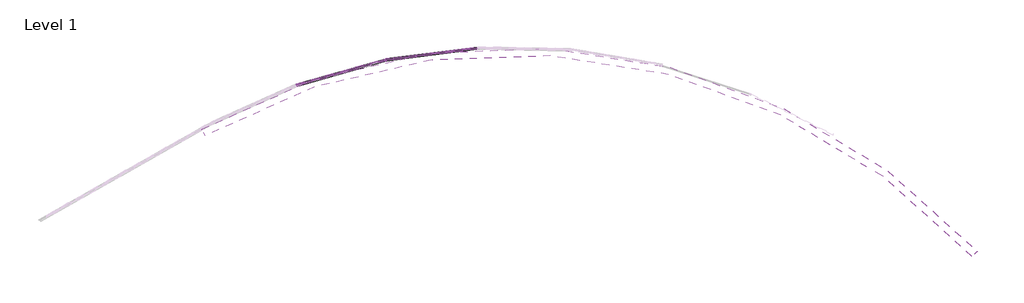
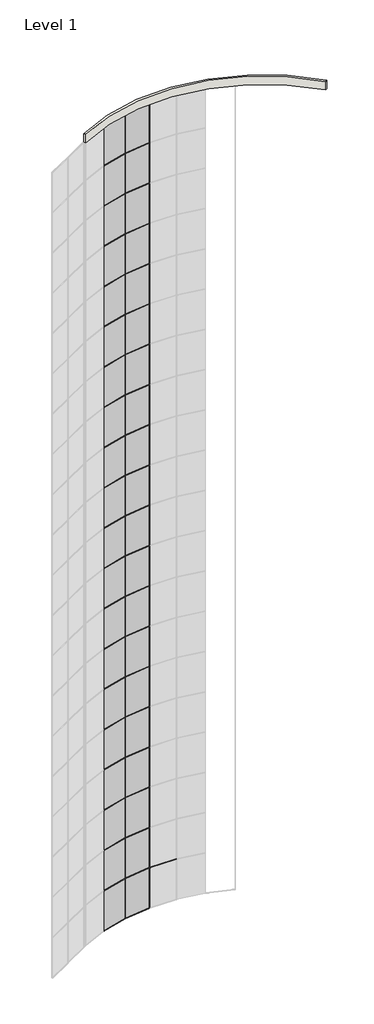
# One storey, part 19 of 25: 77 members, 40 plates, 1 wall.
"""IFC4 building model written with IfcOpenShell, lengths in millimetres."""

import ifcopenshell
import ifcopenshell.guid

model = None  # the IFC model being written
_history = None  # IfcOwnerHistory: only IFC2X3 demands one
_inside = {}  # id of a spatial element -> (the spatial element, [elements in it])
_under = {}  # id of a project, library or spatial element -> (it, [spatial elements below it])
_declared = {}  # id of a project -> (the project, [libraries it declares])
_typed = {}  # id of a type object -> (the type object, [elements of that type])
_made_of = {}  # id of a material, layer set ... -> (it, [elements and type objects made of it])


def new_model(schema):
    """Start an empty IFC model of exactly this schema.

    Asked for "IFC4X3", IfcOpenShell would pick the latest addendum, in which some entities
    have other attributes; the version numbers below select the first issue.
    IFC2X3 requires an IfcOwnerHistory on every rooted entity: one is made here for all.
    """
    global model, _history
    if schema == "IFC4X3":
        model = ifcopenshell.file(schema_version=(4, 3, 0, 0))
    else:
        model = ifcopenshell.file(schema=schema)
    _inside.clear()
    _under.clear()
    _declared.clear()
    _typed.clear()
    _made_of.clear()
    _history = None
    if model.schema == "IFC2X3":
        org = make("IfcOrganization", Name="unknown")
        user = make(
            "IfcPersonAndOrganization",
            ThePerson=make("IfcPerson", FamilyName="unknown"),
            TheOrganization=org,
        )
        app = make(
            "IfcApplication",
            ApplicationDeveloper=org,
            Version="unknown",
            ApplicationFullName="unknown",
            ApplicationIdentifier="unknown",
        )
        _history = make(
            "IfcOwnerHistory",
            OwningUser=user,
            OwningApplication=app,
            ChangeAction="ADDED",
            CreationDate=0,
        )
    return model


def make(cls, **values):
    """One entity of the class cls with the attributes given. An attribute that is None is left unset."""
    return model.create_entity(
        cls, **{name: value for name, value in values.items() if value is not None}
    )


def rooted(cls, **values):
    """An entity with a GlobalId (a new one), such as an element, a storey or a relation."""
    return make(cls, GlobalId=ifcopenshell.guid.new(), OwnerHistory=_history, **values)


def si_unit(unit_type, name, prefix=None):
    """IfcSIUnit, for example si_unit("LENGTHUNIT", "METRE", prefix="MILLI")."""
    return make("IfcSIUnit", UnitType=unit_type, Prefix=prefix, Name=name)


def assignment(units):
    """IfcUnitAssignment: the units of a project."""
    return None if units is None else make("IfcUnitAssignment", Units=units)


def point(xyz):
    """IfcCartesianPoint."""
    return None if xyz is None else make("IfcCartesianPoint", Coordinates=xyz)


def direction(xyz):
    """IfcDirection."""
    return None if xyz is None else make("IfcDirection", DirectionRatios=xyz)


def frame(location, z_axis=None, x_axis=None):
    """IfcAxis2Placement3D, a coordinate frame: its origin and axes. An axis left out is left unset."""
    return make(
        "IfcAxis2Placement3D",
        Location=point(location),
        Axis=direction(z_axis),
        RefDirection=direction(x_axis),
    )


def frame_2d(location, x_axis=None):
    """IfcAxis2Placement2D, a coordinate frame in the plane: its origin and x axis."""
    return make(
        "IfcAxis2Placement2D", Location=point(location), RefDirection=direction(x_axis)
    )


def origin():
    """The frame at (0, 0, 0) with its axes left unset."""
    return frame((0.0, 0.0, 0.0))


def origin_with_axes():
    """The frame at (0, 0, 0) with the z axis (0, 0, 1) and the x axis (1, 0, 0) written out."""
    return frame((0.0, 0.0, 0.0), z_axis=(0.0, 0.0, 1.0), x_axis=(1.0, 0.0, 0.0))


def place(relative_to, where):
    """IfcLocalPlacement: puts the frame where relative to a parent placement (None: the world)."""
    return make(
        "IfcLocalPlacement", PlacementRelTo=relative_to, RelativePlacement=where
    )


def context(
    kind, dimensions, precision=None, world=None, true_north=None, identifier=None
):
    """IfcGeometricRepresentationContext, for example the 3D "Model" context."""
    return make(
        "IfcGeometricRepresentationContext",
        ContextIdentifier=identifier,
        ContextType=kind,
        CoordinateSpaceDimension=dimensions,
        Precision=precision,
        WorldCoordinateSystem=world,
        TrueNorth=true_north,
    )


def project(units=None, contexts=None):
    """IfcProject with its units and contexts."""
    return rooted(
        "IfcProject",
        Name="project",
        RepresentationContexts=contexts,
        UnitsInContext=assignment(units),
    )


def spatial(cls, under=None, at=None, **own):
    """A site, building, storey or space (cls), placed at a placement, below another one or the project."""
    s = rooted(cls, ObjectPlacement=at, **own)
    if under is not None:
        _under.setdefault(under.id(), (under, []))[1].append(s)
    return s


def polyline(points):
    """IfcPolyline through the points."""
    return make("IfcPolyline", Points=[point(p) for p in points])


def circle_curve(where, radius):
    """IfcCircle in the frame where."""
    return make("IfcCircle", Position=where, Radius=radius)


def trimmed(basis, trim1, trim2, sense, master):
    """IfcTrimmedCurve: the piece of a basis curve between two trims."""
    return make(
        "IfcTrimmedCurve",
        BasisCurve=basis,
        Trim1=trim1,
        Trim2=trim2,
        SenseAgreement=sense,
        MasterRepresentation=master,
    )


def segment(curve, same_sense, transition):
    """IfcCompositeCurveSegment."""
    return make(
        "IfcCompositeCurveSegment",
        Transition=transition,
        SameSense=same_sense,
        ParentCurve=curve,
    )


def composite_curve(segments, self_intersect=None):
    """IfcCompositeCurve: segments joined end to end."""
    return make("IfcCompositeCurve", Segments=segments, SelfIntersect=self_intersect)


def outline(outer, holes=None, kind="AREA"):
    """IfcArbitraryClosedProfileDef: a profile drawn as a closed curve; with holes, ...WithVoids."""
    if holes is None:
        return make("IfcArbitraryClosedProfileDef", ProfileType=kind, OuterCurve=outer)
    return make(
        "IfcArbitraryProfileDefWithVoids",
        ProfileType=kind,
        OuterCurve=outer,
        InnerCurves=holes,
    )


def extrude(swept, where, along, depth):
    """IfcExtrudedAreaSolid: the profile swept, set in the frame where, extruded along a direction by depth."""
    return make(
        "IfcExtrudedAreaSolid",
        SweptArea=swept,
        Position=where,
        ExtrudedDirection=direction(along),
        Depth=depth,
    )


def faces_of(points, faces, orient=None, outer=None):
    """IfcFace entities. A face is a list of loops; a loop is a list of indices into points, from 0.

    orient and outer hold one flag for each loop. By default every Orientation is true, the
    first loop of a face is its IfcFaceOuterBound and the others are IfcFaceBound.
    """
    made = []
    for i, loops in enumerate(faces):
        bounds = []
        for j, loop in enumerate(loops):
            is_outer = j == 0 if outer is None else outer[i][j]
            bounds.append(
                make(
                    "IfcFaceOuterBound" if is_outer else "IfcFaceBound",
                    Bound=make("IfcPolyLoop", Polygon=[points[k] for k in loop]),
                    Orientation=True if orient is None else orient[i][j],
                )
            )
        made.append(make("IfcFace", Bounds=bounds))
    return made


def faceted_brep(points, faces, orient=None, outer=None, voids=None):
    """IfcFacetedBrep: a solid bounded by flat faces; with voids (closed shells), ...WithVoids."""
    shared = [point(p) for p in points]
    hull = make("IfcClosedShell", CfsFaces=faces_of(shared, faces, orient, outer))
    if voids is None:
        return make("IfcFacetedBrep", Outer=hull)
    return make(
        "IfcFacetedBrepWithVoids",
        Outer=hull,
        Voids=[
            make(cls, CfsFaces=faces_of(shared, fs, o, b)) for cls, fs, o, b in voids
        ],
    )


def shape(context_of_items, identifier, shape_type, items):
    """IfcShapeRepresentation: the items that make up one representation, for example the "Body"."""
    return make(
        "IfcShapeRepresentation",
        ContextOfItems=context_of_items,
        RepresentationIdentifier=identifier,
        RepresentationType=shape_type,
        Items=items,
    )


def source(mapping_origin, context_of_items, identifier, shape_type, items):
    """IfcRepresentationMap: a shape defined once, which mapped items show again and again."""
    return make(
        "IfcRepresentationMap",
        MappingOrigin=mapping_origin,
        MappedRepresentation=shape(context_of_items, identifier, shape_type, items),
    )


def transform(
    local_origin,
    x_axis=None,
    y_axis=None,
    z_axis=None,
    scale=None,
    scale2=None,
    scale3=None,
    uniform=True,
):
    """IfcCartesianTransformationOperator3D, or its non-uniform kind. x_axis, y_axis, z_axis: its Axis1, 2, 3."""
    if uniform:
        return make(
            "IfcCartesianTransformationOperator3D",
            Axis1=direction(x_axis),
            Axis2=direction(y_axis),
            LocalOrigin=point(local_origin),
            Scale=scale,
            Axis3=direction(z_axis),
        )
    return make(
        "IfcCartesianTransformationOperator3DnonUniform",
        Axis1=direction(x_axis),
        Axis2=direction(y_axis),
        LocalOrigin=point(local_origin),
        Scale=scale,
        Axis3=direction(z_axis),
        Scale2=scale2,
        Scale3=scale3,
    )


def mapped(mapping_source, mapping_target):
    """IfcMappedItem: shows the shape of a source again, moved by a transform."""
    return make(
        "IfcMappedItem", MappingSource=mapping_source, MappingTarget=mapping_target
    )


def made_of(thing, what):
    """Note that an element or type object is made of a material, layer set ...; save() writes the relation."""
    if what is not None:
        _made_of.setdefault(what.id(), (what, []))[1].append(thing)
    return thing


def element(
    cls,
    number,
    at=None,
    inside=None,
    cuts=None,
    type_object=None,
    material=None,
    context=None,
    identifier="Body",
    shape_type=None,
    held_by="IfcProductDefinitionShape",
    body=None,
    shapes=None,
    **own,
):
    """One element of the class cls, such as IfcWall. Its Tag is "e" and its number.

    at: its placement. inside: the storey or other place that contains it. cuts: it is an
    opening in that element (IfcRelVoidsElement). A single representation is given by context,
    identifier, shape_type and body (its items); several are given by shapes. held_by: the class
    of the entity that holds the representations. save() writes the other relations.
    """
    e = rooted(cls, Tag="e%d" % number, ObjectPlacement=at, **own)
    if body is not None:
        shapes = [shape(context, identifier, shape_type, body)]
    if shapes is not None:
        e.Representation = make(held_by, Representations=shapes)
    if inside is not None:
        _inside.setdefault(inside.id(), (inside, []))[1].append(e)
    if cuts is not None:
        rooted(
            "IfcRelVoidsElement", RelatingBuildingElement=cuts, RelatedOpeningElement=e
        )
    if type_object is not None:
        _typed.setdefault(type_object.id(), (type_object, []))[1].append(e)
    return made_of(e, material)


def aggregate(whole, parts):
    """IfcRelAggregates: a whole, such as a stair, and the parts it consists of."""
    return rooted("IfcRelAggregates", RelatingObject=whole, RelatedObjects=parts)


def save(model, path):
    """Write the relations noted so far, then the file.

    IfcRelAggregates (storeys below a building ...), IfcRelContainedInSpatialStructure (elements
    in a storey), IfcRelDefinesByType, IfcRelAssociatesMaterial and IfcRelDeclares: one each for
    every whole, place, type object, material and project.
    """
    for whole, parts in _under.values():
        aggregate(whole, parts)
    for where, things in _inside.values():
        rooted(
            "IfcRelContainedInSpatialStructure",
            RelatedElements=things,
            RelatingStructure=where,
        )
    for kind, things in _typed.values():
        rooted("IfcRelDefinesByType", RelatedObjects=things, RelatingType=kind)
    for what, things in _made_of.values():
        rooted("IfcRelAssociatesMaterial", RelatedObjects=things, RelatingMaterial=what)
    for by, libraries in _declared.values():
        rooted("IfcRelDeclares", RelatingContext=by, RelatedDefinitions=libraries)
    model.write(path)


def rectangular_mullion_30mm_square_a2305603(model_context):
    return source(origin(), model_context, "Body", "SweptSolid", [
        extrude(outline(polyline([(15.0, 15.0), (15.0, -15.0), (-15.0, -15.0), (-15.0, 15.0), (15.0, 15.0)])), frame((0.0, 0.0, -4015.0), z_axis=(0.0, 0.0, 1.0), x_axis=(1.0, 0.0, 0.0)), (0.0, 0.0, 1.0), 4015.0),
    ])


def rectangular_mullion_30mm_square_2a99bbf3(model_context):
    return source(origin(), model_context, "Body", "SweptSolid", [
        extrude(outline(polyline([(15.0, 15.0), (15.0, -15.0), (-15.0, -15.0), (-15.0, 15.0), (15.0, 15.0)])), frame((0.0, 0.0, -4000.0), z_axis=(0.0, 0.0, 1.0), x_axis=(1.0, 0.0, 0.0)), (0.0, 0.0, 1.0), 4000.0),
    ])


def rectangular_mullion_30mm_square_a85e5849(model_context):
    return source(origin(), model_context, "Body", "SweptSolid", [
        extrude(outline(polyline([(15.0, 15.0), (15.0, -15.0), (-15.0, -15.0), (-15.0, 15.0), (15.0, 15.0)])), frame((0.0, 0.0, -3985.0), z_axis=(0.0, 0.0, 1.0), x_axis=(1.0, 0.0, 0.0)), (0.0, 0.0, 1.0), 3985.0),
    ])


def rectangular_mullion_30mm_square_05d4f6f3(model_context):
    return source(origin(), model_context, "Body", "SweptSolid", [
        extrude(outline(polyline([(-15.0, 14.447782), (-13.8564546, -1.0623369), (15.0, 1.0652204), (15.0, -2471.0652204), (-13.8564546, -2468.9376631), (-15.0, -2484.447782), (-15.0, 14.447782)])), frame((-30.0, 0.0, 0.0), z_axis=(1.0, 0.0, 0.0), x_axis=(0.0, 1.0, 0.0)), (0.0, 0.0, 1.0), 30.0),
    ])


def rectangular_mullion_30mm_square_8ac713fb(model_context):
    return source(origin(), model_context, "Body", "Brep", [
        faceted_brep([(-15.0, 15.0, 1.0652204), (0.0, 15.0, 1.0652204), (15.0, 15.0, 1.0652204), (15.0, 15.0, -2471.0652204), (0.0, 15.0, -2471.0652204), (-15.0, 15.0, -2471.0652204), (-15.0, -15.0, 14.447782), (-15.0, -13.8564546, -1.0623369), (-15.0, -13.8564546, -2468.9376631), (-15.0, -15.0, -2484.447782), (15.0, -15.0, 14.447782), (0.0, -15.0, 14.447782), (0.0, -15.0, -2484.447782), (15.0, -15.0, -2484.447782), (15.0, -13.8564546, -1.0623369), (15.0, -13.8564546, -2468.9376631), (0.0, -13.8564546, -1.0623369), (0.0, -13.8564546, -2468.9376631)], [[[0, 1, 2, 3, 4, 5]], [[6, 7, 0, 5, 8, 9]], [[10, 11, 6, 9, 12, 13]], [[2, 14, 10, 13, 15, 3]], [[2, 1, 16, 14]], [[1, 0, 7, 16]], [[7, 6, 11, 16]], [[11, 10, 14, 16]], [[3, 15, 17, 4]], [[15, 13, 12, 17]], [[12, 9, 8, 17]], [[8, 5, 4, 17]]]),
    ])


def system_panel_glazed_a46cada3(model_context):
    return source(origin(), model_context, "Body", "SweptSolid", [
        extrude(outline(polyline([(1250.0, -49.5), (-1250.0, -49.5), (-1250.0, -24.5), (1250.0, -24.5), (1250.0, -49.5)])), origin_with_axes(), (0.0, 0.0, 1.0), 4000.0),
    ])


def system_panel_glazed_f0c60a00(model_context):
    return source(origin(), model_context, "Body", "SweptSolid", [
        extrude(outline(polyline([(1250.0, -49.5), (-1250.0, -49.5), (-1250.0, -24.5), (1250.0, -24.5), (1250.0, -49.5)])), origin_with_axes(), (0.0, 0.0, 1.0), 4015.0),
    ])


def system_panel_glazed_3cdec05c(model_context):
    return source(origin(), model_context, "Body", "SweptSolid", [
        extrude(outline(polyline([(1250.0, -49.5), (-1250.0, -49.5), (-1250.0, -24.5), (1250.0, -24.5), (1250.0, -49.5)])), origin_with_axes(), (0.0, 0.0, 1.0), 3985.0),
    ])


model = new_model("IFC4")

# Units and contexts
model_context = context("Model", 3, world=origin())
ifc_project = project(units=[si_unit("LENGTHUNIT", "METRE", prefix="MILLI")], contexts=[model_context])

# Site, building, storey
site = spatial("IfcSite", under=ifc_project)
building = spatial("IfcBuilding", under=site)
storey = spatial("IfcBuildingStorey", under=building, Name="Level 1", Elevation=0.0)

# Members
placement = place(None, origin())
rectangular_mullion_30mm_square_shape = rectangular_mullion_30mm_square_a2305603(model_context)
element("IfcMember", 1, ObjectType="Rectangular Mullion : 30mm Square", at=placement, inside=storey, context=model_context, shape_type="MappedRepresentation", body=[
    mapped(rectangular_mullion_30mm_square_shape, transform((3291.8144787, 12945.7026692, 0.0), x_axis=(-0.9984776572761416, -0.055157664203154044, 0.0), y_axis=(-0.055157664203154044, 0.9984776572761416, 0.0), z_axis=(0.0, 0.0, -1.0))),
])
element("IfcMember", 2, ObjectType="Rectangular Mullion : 30mm Square", at=placement, inside=storey, context=model_context, shape_type="MappedRepresentation", body=[
    mapped(rectangular_mullion_30mm_square_shape, transform((812.5166872, 12624.6380945, 0.0), x_axis=(-0.9795915058189062, -0.2009987107606614, 0.0), y_axis=(-0.2009987107606614, 0.9795915058189062, 0.0), z_axis=(0.0, 0.0, -1.0))),
])
rectangular_mullion_30mm_square_2_shape = rectangular_mullion_30mm_square_2a99bbf3(model_context)
element("IfcMember", 3, ObjectType="Rectangular Mullion : 30mm Square", at=placement, inside=storey, context=model_context, shape_type="MappedRepresentation", body=[
    mapped(rectangular_mullion_30mm_square_2_shape, transform((3291.8144787, 12945.7026692, 4015.0), x_axis=(-0.9984776572761416, -0.055157664203154044, 0.0), y_axis=(-0.055157664203154044, 0.9984776572761416, 0.0), z_axis=(0.0, 0.0, -1.0))),
])
element("IfcMember", 4, ObjectType="Rectangular Mullion : 30mm Square", at=placement, inside=storey, context=model_context, shape_type="MappedRepresentation", body=[
    mapped(rectangular_mullion_30mm_square_2_shape, transform((812.5166872, 12624.6380945, 4015.0), x_axis=(-0.9795915058189062, -0.2009987107606614, 0.0), y_axis=(-0.2009987107606614, 0.9795915058189062, 0.0), z_axis=(0.0, 0.0, -1.0))),
])
element("IfcMember", 5, ObjectType="Rectangular Mullion : 30mm Square", at=placement, inside=storey, context=model_context, shape_type="MappedRepresentation", body=[
    mapped(rectangular_mullion_30mm_square_2_shape, transform((3291.8144787, 12945.7026692, 8015.0), x_axis=(-0.9984776572761416, -0.055157664203154044, 0.0), y_axis=(-0.055157664203154044, 0.9984776572761416, 0.0), z_axis=(0.0, 0.0, -1.0))),
])
element("IfcMember", 6, ObjectType="Rectangular Mullion : 30mm Square", at=placement, inside=storey, context=model_context, shape_type="MappedRepresentation", body=[
    mapped(rectangular_mullion_30mm_square_2_shape, transform((812.5166872, 12624.6380945, 8015.0), x_axis=(-0.9795915058189062, -0.2009987107606614, 0.0), y_axis=(-0.2009987107606614, 0.9795915058189062, 0.0), z_axis=(0.0, 0.0, -1.0))),
])
element("IfcMember", 7, ObjectType="Rectangular Mullion : 30mm Square", at=placement, inside=storey, context=model_context, shape_type="MappedRepresentation", body=[
    mapped(rectangular_mullion_30mm_square_2_shape, transform((3291.8144787, 12945.7026692, 12015.0), x_axis=(-0.9984776572761416, -0.055157664203154044, 0.0), y_axis=(-0.055157664203154044, 0.9984776572761416, 0.0), z_axis=(0.0, 0.0, -1.0))),
])
element("IfcMember", 8, ObjectType="Rectangular Mullion : 30mm Square", at=placement, inside=storey, context=model_context, shape_type="MappedRepresentation", body=[
    mapped(rectangular_mullion_30mm_square_2_shape, transform((812.5166872, 12624.6380945, 12015.0), x_axis=(-0.9795915058189062, -0.2009987107606614, 0.0), y_axis=(-0.2009987107606614, 0.9795915058189062, 0.0), z_axis=(0.0, 0.0, -1.0))),
])
element("IfcMember", 9, ObjectType="Rectangular Mullion : 30mm Square", at=placement, inside=storey, context=model_context, shape_type="MappedRepresentation", body=[
    mapped(rectangular_mullion_30mm_square_2_shape, transform((3291.8144787, 12945.7026692, 16015.0), x_axis=(-0.9984776572761416, -0.055157664203154044, 0.0), y_axis=(-0.055157664203154044, 0.9984776572761416, 0.0), z_axis=(0.0, 0.0, -1.0))),
])
element("IfcMember", 10, ObjectType="Rectangular Mullion : 30mm Square", at=placement, inside=storey, context=model_context, shape_type="MappedRepresentation", body=[
    mapped(rectangular_mullion_30mm_square_2_shape, transform((812.5166872, 12624.6380945, 16015.0), x_axis=(-0.9795915058189062, -0.2009987107606614, 0.0), y_axis=(-0.2009987107606614, 0.9795915058189062, 0.0), z_axis=(0.0, 0.0, -1.0))),
])
element("IfcMember", 11, ObjectType="Rectangular Mullion : 30mm Square", at=placement, inside=storey, context=model_context, shape_type="MappedRepresentation", body=[
    mapped(rectangular_mullion_30mm_square_2_shape, transform((3291.8144787, 12945.7026692, 20015.0), x_axis=(-0.9984776572761416, -0.055157664203154044, 0.0), y_axis=(-0.055157664203154044, 0.9984776572761416, 0.0), z_axis=(0.0, 0.0, -1.0))),
])
element("IfcMember", 12, ObjectType="Rectangular Mullion : 30mm Square", at=placement, inside=storey, context=model_context, shape_type="MappedRepresentation", body=[
    mapped(rectangular_mullion_30mm_square_2_shape, transform((812.5166872, 12624.6380945, 20015.0), x_axis=(-0.9795915058189062, -0.2009987107606614, 0.0), y_axis=(-0.2009987107606614, 0.9795915058189062, 0.0), z_axis=(0.0, 0.0, -1.0))),
])
element("IfcMember", 13, ObjectType="Rectangular Mullion : 30mm Square", at=placement, inside=storey, context=model_context, shape_type="MappedRepresentation", body=[
    mapped(rectangular_mullion_30mm_square_2_shape, transform((3291.8144787, 12945.7026692, 24015.0), x_axis=(-0.9984776572761416, -0.055157664203154044, 0.0), y_axis=(-0.055157664203154044, 0.9984776572761416, 0.0), z_axis=(0.0, 0.0, -1.0))),
])
element("IfcMember", 14, ObjectType="Rectangular Mullion : 30mm Square", at=placement, inside=storey, context=model_context, shape_type="MappedRepresentation", body=[
    mapped(rectangular_mullion_30mm_square_2_shape, transform((812.5166872, 12624.6380945, 24015.0), x_axis=(-0.9795915058189062, -0.2009987107606614, 0.0), y_axis=(-0.2009987107606614, 0.9795915058189062, 0.0), z_axis=(0.0, 0.0, -1.0))),
])
element("IfcMember", 15, ObjectType="Rectangular Mullion : 30mm Square", at=placement, inside=storey, context=model_context, shape_type="MappedRepresentation", body=[
    mapped(rectangular_mullion_30mm_square_2_shape, transform((3291.8144787, 12945.7026692, 28015.0), x_axis=(-0.9984776572761416, -0.055157664203154044, 0.0), y_axis=(-0.055157664203154044, 0.9984776572761416, 0.0), z_axis=(0.0, 0.0, -1.0))),
])
element("IfcMember", 16, ObjectType="Rectangular Mullion : 30mm Square", at=placement, inside=storey, context=model_context, shape_type="MappedRepresentation", body=[
    mapped(rectangular_mullion_30mm_square_2_shape, transform((812.5166872, 12624.6380945, 28015.0), x_axis=(-0.9795915058189062, -0.2009987107606614, 0.0), y_axis=(-0.2009987107606614, 0.9795915058189062, 0.0), z_axis=(0.0, 0.0, -1.0))),
])
element("IfcMember", 17, ObjectType="Rectangular Mullion : 30mm Square", at=placement, inside=storey, context=model_context, shape_type="MappedRepresentation", body=[
    mapped(rectangular_mullion_30mm_square_2_shape, transform((3291.8144787, 12945.7026692, 32015.0), x_axis=(-0.9984776572761416, -0.055157664203154044, 0.0), y_axis=(-0.055157664203154044, 0.9984776572761416, 0.0), z_axis=(0.0, 0.0, -1.0))),
])
element("IfcMember", 18, ObjectType="Rectangular Mullion : 30mm Square", at=placement, inside=storey, context=model_context, shape_type="MappedRepresentation", body=[
    mapped(rectangular_mullion_30mm_square_2_shape, transform((812.5166872, 12624.6380945, 32015.0), x_axis=(-0.9795915058189062, -0.2009987107606614, 0.0), y_axis=(-0.2009987107606614, 0.9795915058189062, 0.0), z_axis=(0.0, 0.0, -1.0))),
])
element("IfcMember", 19, ObjectType="Rectangular Mullion : 30mm Square", at=placement, inside=storey, context=model_context, shape_type="MappedRepresentation", body=[
    mapped(rectangular_mullion_30mm_square_2_shape, transform((3291.8144787, 12945.7026692, 36015.0), x_axis=(-0.9984776572761416, -0.055157664203154044, 0.0), y_axis=(-0.055157664203154044, 0.9984776572761416, 0.0), z_axis=(0.0, 0.0, -1.0))),
])
element("IfcMember", 20, ObjectType="Rectangular Mullion : 30mm Square", at=placement, inside=storey, context=model_context, shape_type="MappedRepresentation", body=[
    mapped(rectangular_mullion_30mm_square_2_shape, transform((812.5166872, 12624.6380945, 36015.0), x_axis=(-0.9795915058189062, -0.2009987107606614, 0.0), y_axis=(-0.2009987107606614, 0.9795915058189062, 0.0), z_axis=(0.0, 0.0, -1.0))),
])
element("IfcMember", 21, ObjectType="Rectangular Mullion : 30mm Square", at=placement, inside=storey, context=model_context, shape_type="MappedRepresentation", body=[
    mapped(rectangular_mullion_30mm_square_2_shape, transform((3291.8144787, 12945.7026692, 40015.0), x_axis=(-0.9984776572761416, -0.055157664203154044, 0.0), y_axis=(-0.055157664203154044, 0.9984776572761416, 0.0), z_axis=(0.0, 0.0, -1.0))),
])
element("IfcMember", 22, ObjectType="Rectangular Mullion : 30mm Square", at=placement, inside=storey, context=model_context, shape_type="MappedRepresentation", body=[
    mapped(rectangular_mullion_30mm_square_2_shape, transform((812.5166872, 12624.6380945, 40015.0), x_axis=(-0.9795915058189062, -0.2009987107606614, 0.0), y_axis=(-0.2009987107606614, 0.9795915058189062, 0.0), z_axis=(0.0, 0.0, -1.0))),
])
element("IfcMember", 23, ObjectType="Rectangular Mullion : 30mm Square", at=placement, inside=storey, context=model_context, shape_type="MappedRepresentation", body=[
    mapped(rectangular_mullion_30mm_square_2_shape, transform((3291.8144787, 12945.7026692, 44015.0), x_axis=(-0.9984776572761416, -0.055157664203154044, 0.0), y_axis=(-0.055157664203154044, 0.9984776572761416, 0.0), z_axis=(0.0, 0.0, -1.0))),
])
element("IfcMember", 24, ObjectType="Rectangular Mullion : 30mm Square", at=placement, inside=storey, context=model_context, shape_type="MappedRepresentation", body=[
    mapped(rectangular_mullion_30mm_square_2_shape, transform((812.5166872, 12624.6380945, 44015.0), x_axis=(-0.9795915058189062, -0.2009987107606614, 0.0), y_axis=(-0.2009987107606614, 0.9795915058189062, 0.0), z_axis=(0.0, 0.0, -1.0))),
])
element("IfcMember", 25, ObjectType="Rectangular Mullion : 30mm Square", at=placement, inside=storey, context=model_context, shape_type="MappedRepresentation", body=[
    mapped(rectangular_mullion_30mm_square_2_shape, transform((3291.8144787, 12945.7026692, 48015.0), x_axis=(-0.9984776572761416, -0.055157664203154044, 0.0), y_axis=(-0.055157664203154044, 0.9984776572761416, 0.0), z_axis=(0.0, 0.0, -1.0))),
])
element("IfcMember", 26, ObjectType="Rectangular Mullion : 30mm Square", at=placement, inside=storey, context=model_context, shape_type="MappedRepresentation", body=[
    mapped(rectangular_mullion_30mm_square_2_shape, transform((812.5166872, 12624.6380945, 48015.0), x_axis=(-0.9795915058189062, -0.2009987107606614, 0.0), y_axis=(-0.2009987107606614, 0.9795915058189062, 0.0), z_axis=(0.0, 0.0, -1.0))),
])
element("IfcMember", 27, ObjectType="Rectangular Mullion : 30mm Square", at=placement, inside=storey, context=model_context, shape_type="MappedRepresentation", body=[
    mapped(rectangular_mullion_30mm_square_2_shape, transform((3291.8144787, 12945.7026692, 52015.0), x_axis=(-0.9984776572761416, -0.055157664203154044, 0.0), y_axis=(-0.055157664203154044, 0.9984776572761416, 0.0), z_axis=(0.0, 0.0, -1.0))),
])
element("IfcMember", 28, ObjectType="Rectangular Mullion : 30mm Square", at=placement, inside=storey, context=model_context, shape_type="MappedRepresentation", body=[
    mapped(rectangular_mullion_30mm_square_2_shape, transform((812.5166872, 12624.6380945, 52015.0), x_axis=(-0.9795915058189062, -0.2009987107606614, 0.0), y_axis=(-0.2009987107606614, 0.9795915058189062, 0.0), z_axis=(0.0, 0.0, -1.0))),
])
element("IfcMember", 29, ObjectType="Rectangular Mullion : 30mm Square", at=placement, inside=storey, context=model_context, shape_type="MappedRepresentation", body=[
    mapped(rectangular_mullion_30mm_square_2_shape, transform((3291.8144787, 12945.7026692, 56015.0), x_axis=(-0.9984776572761416, -0.055157664203154044, 0.0), y_axis=(-0.055157664203154044, 0.9984776572761416, 0.0), z_axis=(0.0, 0.0, -1.0))),
])
element("IfcMember", 30, ObjectType="Rectangular Mullion : 30mm Square", at=placement, inside=storey, context=model_context, shape_type="MappedRepresentation", body=[
    mapped(rectangular_mullion_30mm_square_2_shape, transform((812.5166872, 12624.6380945, 56015.0), x_axis=(-0.9795915058189062, -0.2009987107606614, 0.0), y_axis=(-0.2009987107606614, 0.9795915058189062, 0.0), z_axis=(0.0, 0.0, -1.0))),
])
element("IfcMember", 31, ObjectType="Rectangular Mullion : 30mm Square", at=placement, inside=storey, context=model_context, shape_type="MappedRepresentation", body=[
    mapped(rectangular_mullion_30mm_square_2_shape, transform((3291.8144787, 12945.7026692, 60015.0), x_axis=(-0.9984776572761416, -0.055157664203154044, 0.0), y_axis=(-0.055157664203154044, 0.9984776572761416, 0.0), z_axis=(0.0, 0.0, -1.0))),
])
element("IfcMember", 32, ObjectType="Rectangular Mullion : 30mm Square", at=placement, inside=storey, context=model_context, shape_type="MappedRepresentation", body=[
    mapped(rectangular_mullion_30mm_square_2_shape, transform((812.5166872, 12624.6380945, 60015.0), x_axis=(-0.9795915058189062, -0.2009987107606614, 0.0), y_axis=(-0.2009987107606614, 0.9795915058189062, 0.0), z_axis=(0.0, 0.0, -1.0))),
])
element("IfcMember", 33, ObjectType="Rectangular Mullion : 30mm Square", at=placement, inside=storey, context=model_context, shape_type="MappedRepresentation", body=[
    mapped(rectangular_mullion_30mm_square_2_shape, transform((3291.8144787, 12945.7026692, 64015.0), x_axis=(-0.9984776572761416, -0.055157664203154044, 0.0), y_axis=(-0.055157664203154044, 0.9984776572761416, 0.0), z_axis=(0.0, 0.0, -1.0))),
])
element("IfcMember", 34, ObjectType="Rectangular Mullion : 30mm Square", at=placement, inside=storey, context=model_context, shape_type="MappedRepresentation", body=[
    mapped(rectangular_mullion_30mm_square_2_shape, transform((812.5166872, 12624.6380945, 64015.0), x_axis=(-0.9795915058189062, -0.2009987107606614, 0.0), y_axis=(-0.2009987107606614, 0.9795915058189062, 0.0), z_axis=(0.0, 0.0, -1.0))),
])
element("IfcMember", 35, ObjectType="Rectangular Mullion : 30mm Square", at=placement, inside=storey, context=model_context, shape_type="MappedRepresentation", body=[
    mapped(rectangular_mullion_30mm_square_2_shape, transform((3291.8144787, 12945.7026692, 68015.0), x_axis=(-0.9984776572761416, -0.055157664203154044, 0.0), y_axis=(-0.055157664203154044, 0.9984776572761416, 0.0), z_axis=(0.0, 0.0, -1.0))),
])
element("IfcMember", 36, ObjectType="Rectangular Mullion : 30mm Square", at=placement, inside=storey, context=model_context, shape_type="MappedRepresentation", body=[
    mapped(rectangular_mullion_30mm_square_2_shape, transform((812.5166872, 12624.6380945, 68015.0), x_axis=(-0.9795915058189062, -0.2009987107606614, 0.0), y_axis=(-0.2009987107606614, 0.9795915058189062, 0.0), z_axis=(0.0, 0.0, -1.0))),
])
element("IfcMember", 37, ObjectType="Rectangular Mullion : 30mm Square", at=placement, inside=storey, context=model_context, shape_type="MappedRepresentation", body=[
    mapped(rectangular_mullion_30mm_square_2_shape, transform((3291.8144787, 12945.7026692, 72015.0), x_axis=(-0.9984776572761416, -0.055157664203154044, 0.0), y_axis=(-0.055157664203154044, 0.9984776572761416, 0.0), z_axis=(0.0, 0.0, -1.0))),
])
element("IfcMember", 38, ObjectType="Rectangular Mullion : 30mm Square", at=placement, inside=storey, context=model_context, shape_type="MappedRepresentation", body=[
    mapped(rectangular_mullion_30mm_square_2_shape, transform((812.5166872, 12624.6380945, 72015.0), x_axis=(-0.9795915058189062, -0.2009987107606614, 0.0), y_axis=(-0.2009987107606614, 0.9795915058189062, 0.0), z_axis=(0.0, 0.0, -1.0))),
])
rectangular_mullion_30mm_square_3_shape = rectangular_mullion_30mm_square_a85e5849(model_context)
element("IfcMember", 39, ObjectType="Rectangular Mullion : 30mm Square", at=placement, inside=storey, context=model_context, shape_type="MappedRepresentation", body=[
    mapped(rectangular_mullion_30mm_square_3_shape, transform((3291.8144787, 12945.7026692, 76015.0), x_axis=(-0.9984776572761416, -0.055157664203154044, 0.0), y_axis=(-0.055157664203154044, 0.9984776572761416, 0.0), z_axis=(0.0, 0.0, -1.0))),
])
element("IfcMember", 40, ObjectType="Rectangular Mullion : 30mm Square", at=placement, inside=storey, context=model_context, shape_type="MappedRepresentation", body=[
    mapped(rectangular_mullion_30mm_square_3_shape, transform((812.5166872, 12624.6380945, 76015.0), x_axis=(-0.9795915058189062, -0.2009987107606614, 0.0), y_axis=(-0.2009987107606614, 0.9795915058189062, 0.0), z_axis=(0.0, 0.0, -1.0))),
])
rectangular_mullion_30mm_square_4_shape = rectangular_mullion_30mm_square_05d4f6f3(model_context)
element("IfcMember", 41, ObjectType="Rectangular Mullion : 30mm Square", at=placement, inside=storey, context=model_context, shape_type="MappedRepresentation", body=[
    mapped(rectangular_mullion_30mm_square_4_shape, transform((3306.8119367, 12945.4265324, 80000.0), x_axis=(0.0, 0.0, 1.0), y_axis=(0.018409119690229427, 0.9998305377973964, 0.0), z_axis=(-0.9998305377973963, 0.018409119690229424, 0.0))),
])
element("IfcMember", 42, ObjectType="Rectangular Mullion : 30mm Square", at=placement, inside=storey, context=model_context, shape_type="MappedRepresentation", body=[
    mapped(rectangular_mullion_30mm_square_4_shape, transform((827.3924739, 12626.5644819, 80000.0), x_axis=(0.0, 0.0, 1.0), y_axis=(-0.12842582990920054, 0.9917191165910503, 0.0), z_axis=(-0.9917191165910503, -0.12842582990920054, 0.0))),
])
element("IfcMember", 43, ObjectType="Rectangular Mullion : 30mm Square", at=placement, inside=storey, context=model_context, shape_type="MappedRepresentation", body=[
    mapped(rectangular_mullion_30mm_square_4_shape, transform((3276.9386919, 12943.7762818, 0.0), x_axis=(0.0, 0.0, -1.0), y_axis=(-0.1284258299092003, 0.9917191165910503, 0.0), z_axis=(0.9917191165910503, 0.1284258299092003, 0.0))),
])
element("IfcMember", 44, ObjectType="Rectangular Mullion : 30mm Square", at=placement, inside=storey, context=model_context, shape_type="MappedRepresentation", body=[
    mapped(rectangular_mullion_30mm_square_4_shape, transform((798.0842799, 12620.5508434, 0.0), x_axis=(0.0, 0.0, -1.0), y_axis=(-0.2724834042943345, 0.9621604826556589, 0.0), z_axis=(0.9621604826556589, 0.2724834042943345, 0.0))),
])
rectangular_mullion_30mm_square_5_shape = rectangular_mullion_30mm_square_8ac713fb(model_context)
element("IfcMember", 45, ObjectType="Rectangular Mullion : 30mm Square", at=placement, inside=storey, context=model_context, shape_type="MappedRepresentation", body=[
    mapped(rectangular_mullion_30mm_square_5_shape, transform((3306.8119367, 12945.4265324, 4015.0), x_axis=(0.0, 0.0, 1.0), y_axis=(0.01840911969022947, 0.9998305377973964, 0.0), z_axis=(-0.9998305377973963, 0.018409119690229465, 0.0))),
])
element("IfcMember", 46, ObjectType="Rectangular Mullion : 30mm Square", at=placement, inside=storey, context=model_context, shape_type="MappedRepresentation", body=[
    mapped(rectangular_mullion_30mm_square_5_shape, transform((827.3924739, 12626.5644819, 4015.0), x_axis=(0.0, 0.0, 1.0), y_axis=(-0.12842582990920007, 0.9917191165910504, 0.0), z_axis=(-0.9917191165910503, -0.12842582990920004, 0.0))),
])
element("IfcMember", 47, ObjectType="Rectangular Mullion : 30mm Square", at=placement, inside=storey, context=model_context, shape_type="MappedRepresentation", body=[
    mapped(rectangular_mullion_30mm_square_5_shape, transform((827.3924739, 12626.5644819, 8015.0), x_axis=(0.0, 0.0, 1.0), y_axis=(-0.12842582990920007, 0.9917191165910504, 0.0), z_axis=(-0.9917191165910503, -0.12842582990920004, 0.0))),
])
element("IfcMember", 48, ObjectType="Rectangular Mullion : 30mm Square", at=placement, inside=storey, context=model_context, shape_type="MappedRepresentation", body=[
    mapped(rectangular_mullion_30mm_square_5_shape, transform((827.3924739, 12626.5644819, 12015.0), x_axis=(0.0, 0.0, 1.0), y_axis=(-0.12842582990920007, 0.9917191165910504, 0.0), z_axis=(-0.9917191165910503, -0.12842582990920004, 0.0))),
])
element("IfcMember", 49, ObjectType="Rectangular Mullion : 30mm Square", at=placement, inside=storey, context=model_context, shape_type="MappedRepresentation", body=[
    mapped(rectangular_mullion_30mm_square_5_shape, transform((827.3924739, 12626.5644819, 16015.0), x_axis=(0.0, 0.0, 1.0), y_axis=(-0.12842582990920007, 0.9917191165910504, 0.0), z_axis=(-0.9917191165910503, -0.12842582990920004, 0.0))),
])
element("IfcMember", 50, ObjectType="Rectangular Mullion : 30mm Square", at=placement, inside=storey, context=model_context, shape_type="MappedRepresentation", body=[
    mapped(rectangular_mullion_30mm_square_5_shape, transform((827.3924739, 12626.5644819, 20015.0), x_axis=(0.0, 0.0, 1.0), y_axis=(-0.12842582990920007, 0.9917191165910504, 0.0), z_axis=(-0.9917191165910503, -0.12842582990920004, 0.0))),
])
element("IfcMember", 51, ObjectType="Rectangular Mullion : 30mm Square", at=placement, inside=storey, context=model_context, shape_type="MappedRepresentation", body=[
    mapped(rectangular_mullion_30mm_square_5_shape, transform((827.3924739, 12626.5644819, 24015.0), x_axis=(0.0, 0.0, 1.0), y_axis=(-0.12842582990920007, 0.9917191165910504, 0.0), z_axis=(-0.9917191165910503, -0.12842582990920004, 0.0))),
])
element("IfcMember", 52, ObjectType="Rectangular Mullion : 30mm Square", at=placement, inside=storey, context=model_context, shape_type="MappedRepresentation", body=[
    mapped(rectangular_mullion_30mm_square_5_shape, transform((827.3924739, 12626.5644819, 28015.0), x_axis=(0.0, 0.0, 1.0), y_axis=(-0.12842582990920007, 0.9917191165910504, 0.0), z_axis=(-0.9917191165910503, -0.12842582990920004, 0.0))),
])
element("IfcMember", 53, ObjectType="Rectangular Mullion : 30mm Square", at=placement, inside=storey, context=model_context, shape_type="MappedRepresentation", body=[
    mapped(rectangular_mullion_30mm_square_5_shape, transform((-1578.4521122, 11947.5168348, 28015.0), x_axis=(0.0, 0.0, 1.0), y_axis=(-0.2724834042943347, 0.9621604826556589, 0.0), z_axis=(-0.9621604826556589, -0.2724834042943347, 0.0))),
])
element("IfcMember", 54, ObjectType="Rectangular Mullion : 30mm Square", at=placement, inside=storey, context=model_context, shape_type="MappedRepresentation", body=[
    mapped(rectangular_mullion_30mm_square_5_shape, transform((827.3924739, 12626.5644819, 32015.0), x_axis=(0.0, 0.0, 1.0), y_axis=(-0.12842582990920007, 0.9917191165910504, 0.0), z_axis=(-0.9917191165910503, -0.12842582990920004, 0.0))),
])
element("IfcMember", 55, ObjectType="Rectangular Mullion : 30mm Square", at=placement, inside=storey, context=model_context, shape_type="MappedRepresentation", body=[
    mapped(rectangular_mullion_30mm_square_5_shape, transform((-1578.4521122, 11947.5168348, 32015.0), x_axis=(0.0, 0.0, 1.0), y_axis=(-0.2724834042943345, 0.9621604826556589, 0.0), z_axis=(-0.9621604826556589, -0.2724834042943345, 0.0))),
])
element("IfcMember", 56, ObjectType="Rectangular Mullion : 30mm Square", at=placement, inside=storey, context=model_context, shape_type="MappedRepresentation", body=[
    mapped(rectangular_mullion_30mm_square_5_shape, transform((827.3924739, 12626.5644819, 36015.0), x_axis=(0.0, 0.0, 1.0), y_axis=(-0.12842582990920007, 0.9917191165910504, 0.0), z_axis=(-0.9917191165910503, -0.12842582990920004, 0.0))),
])
element("IfcMember", 57, ObjectType="Rectangular Mullion : 30mm Square", at=placement, inside=storey, context=model_context, shape_type="MappedRepresentation", body=[
    mapped(rectangular_mullion_30mm_square_5_shape, transform((-1578.4521122, 11947.5168348, 36015.0), x_axis=(0.0, 0.0, 1.0), y_axis=(-0.2724834042943345, 0.9621604826556589, 0.0), z_axis=(-0.9621604826556589, -0.2724834042943345, 0.0))),
])
element("IfcMember", 58, ObjectType="Rectangular Mullion : 30mm Square", at=placement, inside=storey, context=model_context, shape_type="MappedRepresentation", body=[
    mapped(rectangular_mullion_30mm_square_5_shape, transform((827.3924739, 12626.5644819, 40015.0), x_axis=(0.0, 0.0, 1.0), y_axis=(-0.12842582990920007, 0.9917191165910504, 0.0), z_axis=(-0.9917191165910503, -0.12842582990920004, 0.0))),
])
element("IfcMember", 59, ObjectType="Rectangular Mullion : 30mm Square", at=placement, inside=storey, context=model_context, shape_type="MappedRepresentation", body=[
    mapped(rectangular_mullion_30mm_square_5_shape, transform((-1578.4521122, 11947.5168348, 40015.0), x_axis=(0.0, 0.0, 1.0), y_axis=(-0.2724834042943346, 0.9621604826556589, 0.0), z_axis=(-0.9621604826556589, -0.2724834042943346, 0.0))),
])
element("IfcMember", 60, ObjectType="Rectangular Mullion : 30mm Square", at=placement, inside=storey, context=model_context, shape_type="MappedRepresentation", body=[
    mapped(rectangular_mullion_30mm_square_5_shape, transform((827.3924739, 12626.5644819, 44015.0), x_axis=(0.0, 0.0, 1.0), y_axis=(-0.12842582990920007, 0.9917191165910504, 0.0), z_axis=(-0.9917191165910503, -0.12842582990920004, 0.0))),
])
element("IfcMember", 61, ObjectType="Rectangular Mullion : 30mm Square", at=placement, inside=storey, context=model_context, shape_type="MappedRepresentation", body=[
    mapped(rectangular_mullion_30mm_square_5_shape, transform((-1578.4521122, 11947.5168348, 44015.0), x_axis=(0.0, 0.0, 1.0), y_axis=(-0.2724834042943345, 0.9621604826556589, 0.0), z_axis=(-0.9621604826556589, -0.2724834042943345, 0.0))),
])
element("IfcMember", 62, ObjectType="Rectangular Mullion : 30mm Square", at=placement, inside=storey, context=model_context, shape_type="MappedRepresentation", body=[
    mapped(rectangular_mullion_30mm_square_5_shape, transform((827.3924739, 12626.5644819, 48015.0), x_axis=(0.0, 0.0, 1.0), y_axis=(-0.12842582990920007, 0.9917191165910504, 0.0), z_axis=(-0.9917191165910503, -0.12842582990920004, 0.0))),
])
element("IfcMember", 63, ObjectType="Rectangular Mullion : 30mm Square", at=placement, inside=storey, context=model_context, shape_type="MappedRepresentation", body=[
    mapped(rectangular_mullion_30mm_square_5_shape, transform((-1578.4521122, 11947.5168348, 48015.0), x_axis=(0.0, 0.0, 1.0), y_axis=(-0.2724834042943345, 0.9621604826556589, 0.0), z_axis=(-0.9621604826556589, -0.2724834042943345, 0.0))),
])
element("IfcMember", 64, ObjectType="Rectangular Mullion : 30mm Square", at=placement, inside=storey, context=model_context, shape_type="MappedRepresentation", body=[
    mapped(rectangular_mullion_30mm_square_5_shape, transform((827.3924739, 12626.5644819, 52015.0), x_axis=(0.0, 0.0, 1.0), y_axis=(-0.12842582990920018, 0.9917191165910503, 0.0), z_axis=(-0.9917191165910503, -0.12842582990920018, 0.0))),
])
element("IfcMember", 65, ObjectType="Rectangular Mullion : 30mm Square", at=placement, inside=storey, context=model_context, shape_type="MappedRepresentation", body=[
    mapped(rectangular_mullion_30mm_square_5_shape, transform((-1578.4521122, 11947.5168348, 52015.0), x_axis=(0.0, 0.0, 1.0), y_axis=(-0.2724834042943346, 0.9621604826556589, 0.0), z_axis=(-0.9621604826556589, -0.2724834042943346, 0.0))),
])
element("IfcMember", 66, ObjectType="Rectangular Mullion : 30mm Square", at=placement, inside=storey, context=model_context, shape_type="MappedRepresentation", body=[
    mapped(rectangular_mullion_30mm_square_5_shape, transform((827.3924739, 12626.5644819, 56015.0), x_axis=(0.0, 0.0, 1.0), y_axis=(-0.12842582990920018, 0.9917191165910503, 0.0), z_axis=(-0.9917191165910503, -0.12842582990920018, 0.0))),
])
element("IfcMember", 67, ObjectType="Rectangular Mullion : 30mm Square", at=placement, inside=storey, context=model_context, shape_type="MappedRepresentation", body=[
    mapped(rectangular_mullion_30mm_square_5_shape, transform((-1578.4521122, 11947.5168348, 56015.0), x_axis=(0.0, 0.0, 1.0), y_axis=(-0.2724834042943346, 0.9621604826556589, 0.0), z_axis=(-0.9621604826556589, -0.2724834042943346, 0.0))),
])
element("IfcMember", 68, ObjectType="Rectangular Mullion : 30mm Square", at=placement, inside=storey, context=model_context, shape_type="MappedRepresentation", body=[
    mapped(rectangular_mullion_30mm_square_5_shape, transform((827.3924739, 12626.5644819, 60015.0), x_axis=(0.0, 0.0, 1.0), y_axis=(-0.12842582990920023, 0.9917191165910503, 0.0), z_axis=(-0.9917191165910503, -0.12842582990920023, 0.0))),
])
element("IfcMember", 69, ObjectType="Rectangular Mullion : 30mm Square", at=placement, inside=storey, context=model_context, shape_type="MappedRepresentation", body=[
    mapped(rectangular_mullion_30mm_square_5_shape, transform((-1578.4521122, 11947.5168348, 60015.0), x_axis=(0.0, 0.0, 1.0), y_axis=(-0.2724834042943346, 0.9621604826556589, 0.0), z_axis=(-0.9621604826556589, -0.2724834042943346, 0.0))),
])
element("IfcMember", 70, ObjectType="Rectangular Mullion : 30mm Square", at=placement, inside=storey, context=model_context, shape_type="MappedRepresentation", body=[
    mapped(rectangular_mullion_30mm_square_5_shape, transform((827.3924739, 12626.5644819, 64015.0), x_axis=(0.0, 0.0, 1.0), y_axis=(-0.12842582990920065, 0.9917191165910503, 0.0), z_axis=(-0.9917191165910503, -0.12842582990920065, 0.0))),
])
element("IfcMember", 71, ObjectType="Rectangular Mullion : 30mm Square", at=placement, inside=storey, context=model_context, shape_type="MappedRepresentation", body=[
    mapped(rectangular_mullion_30mm_square_5_shape, transform((-1578.4521122, 11947.5168348, 64015.0), x_axis=(0.0, 0.0, 1.0), y_axis=(-0.2724834042943349, 0.9621604826556587, 0.0), z_axis=(-0.9621604826556587, -0.2724834042943349, 0.0))),
])
element("IfcMember", 72, ObjectType="Rectangular Mullion : 30mm Square", at=placement, inside=storey, context=model_context, shape_type="MappedRepresentation", body=[
    mapped(rectangular_mullion_30mm_square_5_shape, transform((827.3924739, 12626.5644819, 68015.0), x_axis=(0.0, 0.0, 1.0), y_axis=(-0.12842582990920065, 0.9917191165910503, 0.0), z_axis=(-0.9917191165910503, -0.12842582990920065, 0.0))),
])
element("IfcMember", 73, ObjectType="Rectangular Mullion : 30mm Square", at=placement, inside=storey, context=model_context, shape_type="MappedRepresentation", body=[
    mapped(rectangular_mullion_30mm_square_5_shape, transform((-1578.4521122, 11947.5168348, 68015.0), x_axis=(0.0, 0.0, 1.0), y_axis=(-0.2724834042943349, 0.9621604826556587, 0.0), z_axis=(-0.9621604826556587, -0.2724834042943349, 0.0))),
])
element("IfcMember", 74, ObjectType="Rectangular Mullion : 30mm Square", at=placement, inside=storey, context=model_context, shape_type="MappedRepresentation", body=[
    mapped(rectangular_mullion_30mm_square_5_shape, transform((827.3924739, 12626.5644819, 72015.0), x_axis=(0.0, 0.0, 1.0), y_axis=(-0.12842582990920065, 0.9917191165910503, 0.0), z_axis=(-0.9917191165910503, -0.12842582990920065, 0.0))),
])
element("IfcMember", 75, ObjectType="Rectangular Mullion : 30mm Square", at=placement, inside=storey, context=model_context, shape_type="MappedRepresentation", body=[
    mapped(rectangular_mullion_30mm_square_5_shape, transform((-1578.4521122, 11947.5168348, 72015.0), x_axis=(0.0, 0.0, 1.0), y_axis=(-0.2724834042943349, 0.9621604826556587, 0.0), z_axis=(-0.9621604826556587, -0.2724834042943349, 0.0))),
])
element("IfcMember", 76, ObjectType="Rectangular Mullion : 30mm Square", at=placement, inside=storey, context=model_context, shape_type="MappedRepresentation", body=[
    mapped(rectangular_mullion_30mm_square_5_shape, transform((827.3924739, 12626.5644819, 76015.0), x_axis=(0.0, 0.0, 1.0), y_axis=(-0.12842582990920065, 0.9917191165910503, 0.0), z_axis=(-0.9917191165910503, -0.12842582990920065, 0.0))),
])
element("IfcMember", 77, ObjectType="Rectangular Mullion : 30mm Square", at=placement, inside=storey, context=model_context, shape_type="MappedRepresentation", body=[
    mapped(rectangular_mullion_30mm_square_5_shape, transform((-1578.4521122, 11947.5168348, 76015.0), x_axis=(0.0, 0.0, 1.0), y_axis=(-0.2724834042943349, 0.9621604826556587, 0.0), z_axis=(-0.9621604826556587, -0.2724834042943349, 0.0))),
])

# Plates
system_panel_glazed_shape = system_panel_glazed_a46cada3(model_context)
element("IfcPlate", 78, ObjectType="System Panel : Glazed", at=placement, inside=storey, context=model_context, shape_type="MappedRepresentation", body=[
    mapped(system_panel_glazed_shape, transform((2052.1655829, 12785.1703819, 4015.0), x_axis=(-0.9917191165910503, -0.1284258299092006, 0.0), y_axis=(0.1284258299092006, -0.9917191165910503, 0.0), z_axis=(0.0, 0.0, 1.0))),
])
element("IfcPlate", 79, ObjectType="System Panel : Glazed", at=placement, inside=storey, context=model_context, shape_type="MappedRepresentation", body=[
    mapped(system_panel_glazed_shape, transform((-390.1839161, 12284.0338391, 4015.0), x_axis=(-0.9621604826556587, -0.27248340429433493, 0.0), y_axis=(0.27248340429433493, -0.9621604826556587, 0.0), z_axis=(0.0, 0.0, 1.0))),
])
element("IfcPlate", 80, ObjectType="System Panel : Glazed", at=placement, inside=storey, context=model_context, shape_type="MappedRepresentation", body=[
    mapped(system_panel_glazed_shape, transform((2052.1655829, 12785.1703819, 8015.0), x_axis=(-0.9917191165910503, -0.1284258299092006, 0.0), y_axis=(0.1284258299092006, -0.9917191165910503, 0.0), z_axis=(0.0, 0.0, 1.0))),
])
element("IfcPlate", 81, ObjectType="System Panel : Glazed", at=placement, inside=storey, context=model_context, shape_type="MappedRepresentation", body=[
    mapped(system_panel_glazed_shape, transform((-390.1839161, 12284.0338391, 8015.0), x_axis=(-0.9621604826556587, -0.27248340429433493, 0.0), y_axis=(0.27248340429433493, -0.9621604826556587, 0.0), z_axis=(0.0, 0.0, 1.0))),
])
element("IfcPlate", 82, ObjectType="System Panel : Glazed", at=placement, inside=storey, context=model_context, shape_type="MappedRepresentation", body=[
    mapped(system_panel_glazed_shape, transform((2052.1655829, 12785.1703819, 12015.0), x_axis=(-0.9917191165910503, -0.12842582990920057, 0.0), y_axis=(0.12842582990920057, -0.9917191165910503, 0.0), z_axis=(0.0, 0.0, 1.0))),
])
element("IfcPlate", 83, ObjectType="System Panel : Glazed", at=placement, inside=storey, context=model_context, shape_type="MappedRepresentation", body=[
    mapped(system_panel_glazed_shape, transform((-390.1839161, 12284.0338391, 12015.0), x_axis=(-0.9621604826556587, -0.27248340429433493, 0.0), y_axis=(0.27248340429433493, -0.9621604826556587, 0.0), z_axis=(0.0, 0.0, 1.0))),
])
element("IfcPlate", 84, ObjectType="System Panel : Glazed", at=placement, inside=storey, context=model_context, shape_type="MappedRepresentation", body=[
    mapped(system_panel_glazed_shape, transform((2052.1655829, 12785.1703819, 16015.0), x_axis=(-0.9917191165910503, -0.1284258299092006, 0.0), y_axis=(0.1284258299092006, -0.9917191165910503, 0.0), z_axis=(0.0, 0.0, 1.0))),
])
element("IfcPlate", 85, ObjectType="System Panel : Glazed", at=placement, inside=storey, context=model_context, shape_type="MappedRepresentation", body=[
    mapped(system_panel_glazed_shape, transform((-390.1839161, 12284.0338391, 16015.0), x_axis=(-0.9621604826556587, -0.27248340429433493, 0.0), y_axis=(0.27248340429433493, -0.9621604826556587, 0.0), z_axis=(0.0, 0.0, 1.0))),
])
element("IfcPlate", 86, ObjectType="System Panel : Glazed", at=placement, inside=storey, context=model_context, shape_type="MappedRepresentation", body=[
    mapped(system_panel_glazed_shape, transform((2052.1655829, 12785.1703819, 20015.0), x_axis=(-0.9917191165910503, -0.1284258299092006, 0.0), y_axis=(0.1284258299092006, -0.9917191165910503, 0.0), z_axis=(0.0, 0.0, 1.0))),
])
element("IfcPlate", 87, ObjectType="System Panel : Glazed", at=placement, inside=storey, context=model_context, shape_type="MappedRepresentation", body=[
    mapped(system_panel_glazed_shape, transform((-390.1839161, 12284.0338391, 20015.0), x_axis=(-0.9621604826556587, -0.27248340429433493, 0.0), y_axis=(0.27248340429433493, -0.9621604826556587, 0.0), z_axis=(0.0, 0.0, 1.0))),
])
element("IfcPlate", 88, ObjectType="System Panel : Glazed", at=placement, inside=storey, context=model_context, shape_type="MappedRepresentation", body=[
    mapped(system_panel_glazed_shape, transform((2052.1655829, 12785.1703819, 24015.0), x_axis=(-0.9917191165910503, -0.1284258299092006, 0.0), y_axis=(0.1284258299092006, -0.9917191165910503, 0.0), z_axis=(0.0, 0.0, 1.0))),
])
element("IfcPlate", 89, ObjectType="System Panel : Glazed", at=placement, inside=storey, context=model_context, shape_type="MappedRepresentation", body=[
    mapped(system_panel_glazed_shape, transform((-390.1839161, 12284.0338391, 24015.0), x_axis=(-0.9621604826556587, -0.27248340429433493, 0.0), y_axis=(0.27248340429433493, -0.9621604826556587, 0.0), z_axis=(0.0, 0.0, 1.0))),
])
element("IfcPlate", 90, ObjectType="System Panel : Glazed", at=placement, inside=storey, context=model_context, shape_type="MappedRepresentation", body=[
    mapped(system_panel_glazed_shape, transform((2052.1655829, 12785.1703819, 28015.0), x_axis=(-0.9917191165910503, -0.12842582990920057, 0.0), y_axis=(0.12842582990920057, -0.9917191165910503, 0.0), z_axis=(0.0, 0.0, 1.0))),
])
element("IfcPlate", 91, ObjectType="System Panel : Glazed", at=placement, inside=storey, context=model_context, shape_type="MappedRepresentation", body=[
    mapped(system_panel_glazed_shape, transform((-390.1839161, 12284.0338391, 28015.0), x_axis=(-0.9621604826556587, -0.27248340429433493, 0.0), y_axis=(0.27248340429433493, -0.9621604826556587, 0.0), z_axis=(0.0, 0.0, 1.0))),
])
element("IfcPlate", 92, ObjectType="System Panel : Glazed", at=placement, inside=storey, context=model_context, shape_type="MappedRepresentation", body=[
    mapped(system_panel_glazed_shape, transform((2052.1655829, 12785.1703819, 32015.0), x_axis=(-0.9917191165910503, -0.1284258299092006, 0.0), y_axis=(0.1284258299092006, -0.9917191165910503, 0.0), z_axis=(0.0, 0.0, 1.0))),
])
element("IfcPlate", 93, ObjectType="System Panel : Glazed", at=placement, inside=storey, context=model_context, shape_type="MappedRepresentation", body=[
    mapped(system_panel_glazed_shape, transform((-390.1839161, 12284.0338391, 32015.0), x_axis=(-0.9621604826556587, -0.27248340429433493, 0.0), y_axis=(0.27248340429433493, -0.9621604826556587, 0.0), z_axis=(0.0, 0.0, 1.0))),
])
element("IfcPlate", 94, ObjectType="System Panel : Glazed", at=placement, inside=storey, context=model_context, shape_type="MappedRepresentation", body=[
    mapped(system_panel_glazed_shape, transform((2052.1655829, 12785.1703819, 36015.0), x_axis=(-0.9917191165910503, -0.12842582990920057, 0.0), y_axis=(0.12842582990920057, -0.9917191165910503, 0.0), z_axis=(0.0, 0.0, 1.0))),
])
element("IfcPlate", 95, ObjectType="System Panel : Glazed", at=placement, inside=storey, context=model_context, shape_type="MappedRepresentation", body=[
    mapped(system_panel_glazed_shape, transform((-390.1839161, 12284.0338391, 36015.0), x_axis=(-0.9621604826556587, -0.27248340429433493, 0.0), y_axis=(0.27248340429433493, -0.9621604826556587, 0.0), z_axis=(0.0, 0.0, 1.0))),
])
element("IfcPlate", 96, ObjectType="System Panel : Glazed", at=placement, inside=storey, context=model_context, shape_type="MappedRepresentation", body=[
    mapped(system_panel_glazed_shape, transform((2052.1655829, 12785.1703819, 40015.0), x_axis=(-0.9917191165910503, -0.1284258299092006, 0.0), y_axis=(0.1284258299092006, -0.9917191165910503, 0.0), z_axis=(0.0, 0.0, 1.0))),
])
element("IfcPlate", 97, ObjectType="System Panel : Glazed", at=placement, inside=storey, context=model_context, shape_type="MappedRepresentation", body=[
    mapped(system_panel_glazed_shape, transform((-390.1839161, 12284.0338391, 40015.0), x_axis=(-0.9621604826556587, -0.27248340429433493, 0.0), y_axis=(0.27248340429433493, -0.9621604826556587, 0.0), z_axis=(0.0, 0.0, 1.0))),
])
element("IfcPlate", 98, ObjectType="System Panel : Glazed", at=placement, inside=storey, context=model_context, shape_type="MappedRepresentation", body=[
    mapped(system_panel_glazed_shape, transform((2052.1655829, 12785.1703819, 44015.0), x_axis=(-0.9917191165910503, -0.1284258299092006, 0.0), y_axis=(0.1284258299092006, -0.9917191165910503, 0.0), z_axis=(0.0, 0.0, 1.0))),
])
element("IfcPlate", 99, ObjectType="System Panel : Glazed", at=placement, inside=storey, context=model_context, shape_type="MappedRepresentation", body=[
    mapped(system_panel_glazed_shape, transform((-390.1839161, 12284.0338391, 44015.0), x_axis=(-0.9621604826556587, -0.27248340429433493, 0.0), y_axis=(0.27248340429433493, -0.9621604826556587, 0.0), z_axis=(0.0, 0.0, 1.0))),
])
element("IfcPlate", 100, ObjectType="System Panel : Glazed", at=placement, inside=storey, context=model_context, shape_type="MappedRepresentation", body=[
    mapped(system_panel_glazed_shape, transform((2052.1655829, 12785.1703819, 48015.0), x_axis=(-0.9917191165910503, -0.1284258299092006, 0.0), y_axis=(0.1284258299092006, -0.9917191165910503, 0.0), z_axis=(0.0, 0.0, 1.0))),
])
element("IfcPlate", 101, ObjectType="System Panel : Glazed", at=placement, inside=storey, context=model_context, shape_type="MappedRepresentation", body=[
    mapped(system_panel_glazed_shape, transform((-390.1839161, 12284.0338391, 48015.0), x_axis=(-0.9621604826556587, -0.27248340429433493, 0.0), y_axis=(0.27248340429433493, -0.9621604826556587, 0.0), z_axis=(0.0, 0.0, 1.0))),
])
element("IfcPlate", 102, ObjectType="System Panel : Glazed", at=placement, inside=storey, context=model_context, shape_type="MappedRepresentation", body=[
    mapped(system_panel_glazed_shape, transform((2052.1655829, 12785.1703819, 52015.0), x_axis=(-0.9917191165910503, -0.1284258299092006, 0.0), y_axis=(0.1284258299092006, -0.9917191165910503, 0.0), z_axis=(0.0, 0.0, 1.0))),
])
element("IfcPlate", 103, ObjectType="System Panel : Glazed", at=placement, inside=storey, context=model_context, shape_type="MappedRepresentation", body=[
    mapped(system_panel_glazed_shape, transform((-390.1839161, 12284.0338391, 52015.0), x_axis=(-0.9621604826556587, -0.27248340429433493, 0.0), y_axis=(0.27248340429433493, -0.9621604826556587, 0.0), z_axis=(0.0, 0.0, 1.0))),
])
element("IfcPlate", 104, ObjectType="System Panel : Glazed", at=placement, inside=storey, context=model_context, shape_type="MappedRepresentation", body=[
    mapped(system_panel_glazed_shape, transform((2052.1655829, 12785.1703819, 56015.0), x_axis=(-0.9917191165910503, -0.1284258299092006, 0.0), y_axis=(0.1284258299092006, -0.9917191165910503, 0.0), z_axis=(0.0, 0.0, 1.0))),
])
element("IfcPlate", 105, ObjectType="System Panel : Glazed", at=placement, inside=storey, context=model_context, shape_type="MappedRepresentation", body=[
    mapped(system_panel_glazed_shape, transform((-390.1839161, 12284.0338391, 56015.0), x_axis=(-0.9621604826556587, -0.27248340429433493, 0.0), y_axis=(0.27248340429433493, -0.9621604826556587, 0.0), z_axis=(0.0, 0.0, 1.0))),
])
element("IfcPlate", 106, ObjectType="System Panel : Glazed", at=placement, inside=storey, context=model_context, shape_type="MappedRepresentation", body=[
    mapped(system_panel_glazed_shape, transform((2052.1655829, 12785.1703819, 60015.0), x_axis=(-0.9917191165910503, -0.1284258299092006, 0.0), y_axis=(0.1284258299092006, -0.9917191165910503, 0.0), z_axis=(0.0, 0.0, 1.0))),
])
element("IfcPlate", 107, ObjectType="System Panel : Glazed", at=placement, inside=storey, context=model_context, shape_type="MappedRepresentation", body=[
    mapped(system_panel_glazed_shape, transform((-390.1839161, 12284.0338391, 60015.0), x_axis=(-0.9621604826556587, -0.27248340429433493, 0.0), y_axis=(0.27248340429433493, -0.9621604826556587, 0.0), z_axis=(0.0, 0.0, 1.0))),
])
element("IfcPlate", 108, ObjectType="System Panel : Glazed", at=placement, inside=storey, context=model_context, shape_type="MappedRepresentation", body=[
    mapped(system_panel_glazed_shape, transform((2052.1655829, 12785.1703819, 64015.0), x_axis=(-0.9917191165910503, -0.1284258299092006, 0.0), y_axis=(0.1284258299092006, -0.9917191165910503, 0.0), z_axis=(0.0, 0.0, 1.0))),
])
element("IfcPlate", 109, ObjectType="System Panel : Glazed", at=placement, inside=storey, context=model_context, shape_type="MappedRepresentation", body=[
    mapped(system_panel_glazed_shape, transform((-390.1839161, 12284.0338391, 64015.0), x_axis=(-0.9621604826556587, -0.27248340429433493, 0.0), y_axis=(0.27248340429433493, -0.9621604826556587, 0.0), z_axis=(0.0, 0.0, 1.0))),
])
element("IfcPlate", 110, ObjectType="System Panel : Glazed", at=placement, inside=storey, context=model_context, shape_type="MappedRepresentation", body=[
    mapped(system_panel_glazed_shape, transform((2052.1655829, 12785.1703819, 68015.0), x_axis=(-0.9917191165910503, -0.1284258299092006, 0.0), y_axis=(0.1284258299092006, -0.9917191165910503, 0.0), z_axis=(0.0, 0.0, 1.0))),
])
element("IfcPlate", 111, ObjectType="System Panel : Glazed", at=placement, inside=storey, context=model_context, shape_type="MappedRepresentation", body=[
    mapped(system_panel_glazed_shape, transform((-390.1839161, 12284.0338391, 68015.0), x_axis=(-0.9621604826556587, -0.27248340429433493, 0.0), y_axis=(0.27248340429433493, -0.9621604826556587, 0.0), z_axis=(0.0, 0.0, 1.0))),
])
element("IfcPlate", 112, ObjectType="System Panel : Glazed", at=placement, inside=storey, context=model_context, shape_type="MappedRepresentation", body=[
    mapped(system_panel_glazed_shape, transform((2052.1655829, 12785.1703819, 72015.0), x_axis=(-0.9917191165910503, -0.1284258299092006, 0.0), y_axis=(0.1284258299092006, -0.9917191165910503, 0.0), z_axis=(0.0, 0.0, 1.0))),
])
element("IfcPlate", 113, ObjectType="System Panel : Glazed", at=placement, inside=storey, context=model_context, shape_type="MappedRepresentation", body=[
    mapped(system_panel_glazed_shape, transform((-390.1839161, 12284.0338391, 72015.0), x_axis=(-0.9621604826556587, -0.27248340429433493, 0.0), y_axis=(0.27248340429433493, -0.9621604826556587, 0.0), z_axis=(0.0, 0.0, 1.0))),
])
system_panel_glazed_2_shape = system_panel_glazed_f0c60a00(model_context)
element("IfcPlate", 114, ObjectType="System Panel : Glazed", at=placement, inside=storey, context=model_context, shape_type="MappedRepresentation", body=[
    mapped(system_panel_glazed_2_shape, transform((2052.1655829, 12785.1703819, 0.0), x_axis=(-0.9917191165910503, -0.1284258299092006, 0.0), y_axis=(0.1284258299092006, -0.9917191165910503, 0.0), z_axis=(0.0, 0.0, 1.0))),
])
element("IfcPlate", 115, ObjectType="System Panel : Glazed", at=placement, inside=storey, context=model_context, shape_type="MappedRepresentation", body=[
    mapped(system_panel_glazed_2_shape, transform((-390.1839161, 12284.0338391, 0.0), x_axis=(-0.9621604826556587, -0.27248340429433493, 0.0), y_axis=(0.27248340429433493, -0.9621604826556587, 0.0), z_axis=(0.0, 0.0, 1.0))),
])
system_panel_glazed_3_shape = system_panel_glazed_3cdec05c(model_context)
element("IfcPlate", 116, ObjectType="System Panel : Glazed", at=placement, inside=storey, context=model_context, shape_type="MappedRepresentation", body=[
    mapped(system_panel_glazed_3_shape, transform((2052.1655829, 12785.1703819, 76015.0), x_axis=(-0.9917191165910503, -0.1284258299092006, 0.0), y_axis=(0.1284258299092006, -0.9917191165910503, 0.0), z_axis=(0.0, 0.0, 1.0))),
])
element("IfcPlate", 117, ObjectType="System Panel : Glazed", at=placement, inside=storey, context=model_context, shape_type="MappedRepresentation", body=[
    mapped(system_panel_glazed_3_shape, transform((-390.1839161, 12284.0338391, 76015.0), x_axis=(-0.9621604826556587, -0.272483404294335, 0.0), y_axis=(0.272483404294335, -0.9621604826556587, 0.0), z_axis=(0.0, 0.0, 1.0))),
])

# Wall
element("IfcWall", 118, ObjectType="Generic - 200mm", at=placement, inside=storey, context=model_context, shape_type="SweptSolid", body=[
    extrude(outline(composite_curve([segment(polyline([(-4053.1164392, 10587.9552178), (-4151.7189536, 10761.959655)]), True, "CONTINUOUS"), segment(trimmed(circle_curve(frame_2d((4229.4947701, -4028.4175045)), 17000.0), [point((-4151.7189536, 10761.959655))], [point((16761.1151535, 7458.9011803))], False, "CARTESIAN"), True, "CONTINUOUS"), segment(polyline([(16761.1151535, 7458.9011803), (16613.6843255, 7323.7562546)]), True, "CONTINUOUS"), segment(trimmed(circle_curve(frame_2d((4229.4947701, -4028.4175045)), 16800.0), [point((16613.6843255, 7323.7562546))], [point((-4053.1164392, 10587.9552178))], True, "CARTESIAN"), True, "CONTINUOUS")], self_intersect=False)), frame((0.0, 0.0, 80000.0), z_axis=(0.0, 0.0, 1.0), x_axis=(1.0, 0.0, 0.0)), (0.0, 0.0, 1.0), 830.1304925),
])

save(model, "model.ifc")
